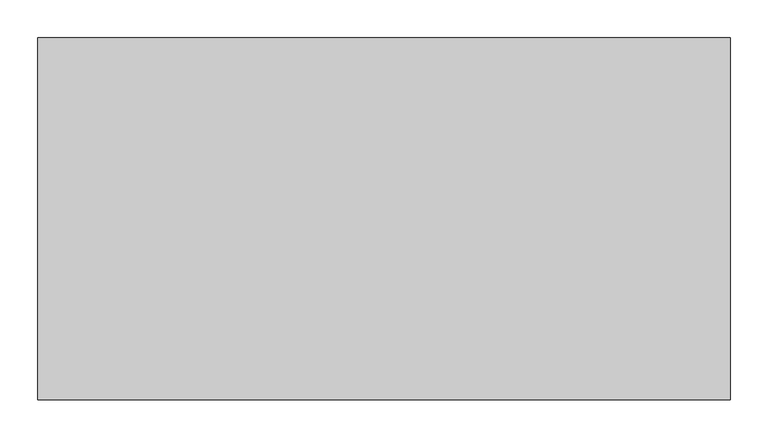
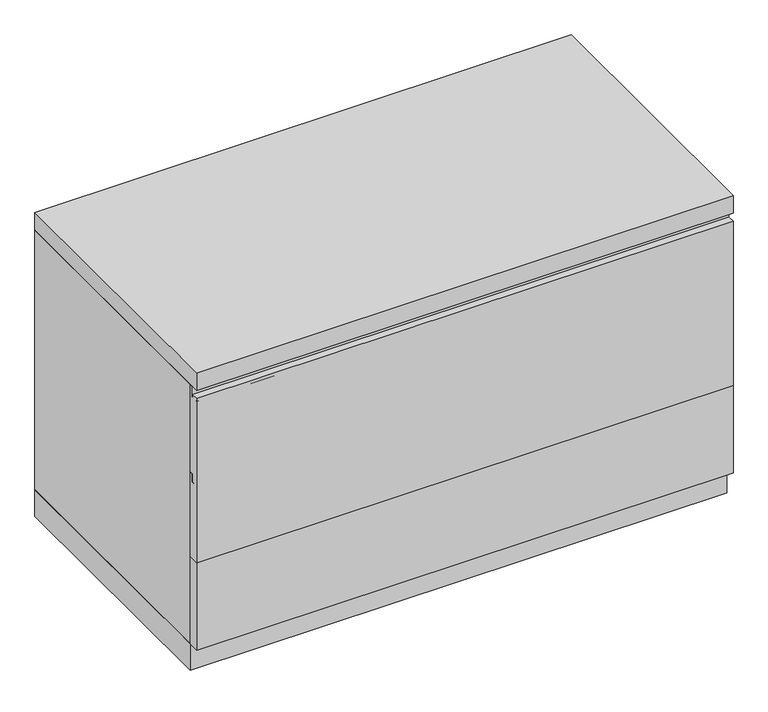
"""IFC4 building model written with IfcOpenShell, lengths in millimetres: furniture geometry."""

from ifc_helpers import new_model, si_unit, frame, origin, origin_with_axes, place, context, project, spatial, polyline, outline, extrude, source, transform, mapped, element, save


def furniture_0f0c1769(model_context):
    return source(origin(), model_context, "Body", "SweptSolid", [
        extrude(outline(polyline([(-457.2, 204.7875), (-476.25, 204.7875), (-476.25, 500.0625), (-463.55, 500.0625), (-463.55, 514.35), (-457.2, 514.35), (-457.2, 204.7875)])), frame((-455.6125, 0.0, 0.0), z_axis=(1.0, 0.0, 0.0), x_axis=(0.0, 1.0, 0.0)), (0.0, 0.0, 1.0), 911.225),
        extrude(outline(polyline([(-457.2, 357.1875), (-476.25, 357.1875), (-476.25, 495.3), (-463.55, 495.3), (-463.55, 509.5875), (-457.2, 509.5875), (-457.2, 357.1875)])), frame((-455.6125, 0.0, 0.0), z_axis=(1.0, 0.0, 0.0), x_axis=(0.0, 1.0, 0.0)), (0.0, 0.0, 1.0), 911.225),
        extrude(outline(polyline([(-457.2, 47.625), (-476.25, 47.625), (-476.25, 342.9), (-463.55, 342.9), (-463.55, 357.1875), (-457.2, 357.1875), (-457.2, 47.625)])), frame((-455.6125, 0.0, 0.0), z_axis=(1.0, 0.0, 0.0), x_axis=(0.0, 1.0, 0.0)), (0.0, 0.0, 1.0), 911.225),
        extrude(outline(polyline([(455.6125, 0.0), (455.6125, -457.2), (-455.6125, -457.2), (-455.6125, 0.0), (455.6125, 0.0)])), origin_with_axes(), (0.0, 0.0, 1.0), 47.625),
        extrude(outline(polyline([(455.6125, 0.0), (455.6125, -476.25), (-455.6125, -476.25), (-455.6125, 0.0), (455.6125, 0.0)])), frame((0.0, 0.0, 514.35), z_axis=(0.0, 0.0, 1.0), x_axis=(1.0, 0.0, 0.0)), (0.0, 0.0, 1.0), 31.75),
        extrude(outline(polyline([(455.6125, 0.0), (455.6125, -457.2), (436.5625, -457.2), (436.5625, -19.05), (-436.5625, -19.05), (-436.5625, -457.2), (-455.6125, -457.2), (-455.6125, 0.0), (455.6125, 0.0)])), frame((0.0, 0.0, 47.625), z_axis=(0.0, 0.0, 1.0), x_axis=(1.0, 0.0, 0.0)), (0.0, 0.0, 1.0), 466.725),
    ])


if __name__ == "__main__":
    model = new_model("IFC4")
    model_context = context("Model", 3, world=origin())
    ifc_project = project(units=[si_unit("LENGTHUNIT", "METRE", prefix="MILLI")], contexts=[model_context])
    site = spatial("IfcSite", under=ifc_project)
    building = spatial("IfcBuilding", under=site)
    placement = place(None, origin())
    furniture_shape = furniture_0f0c1769(model_context)
    element("IfcFurniture", 1, at=placement, inside=building, context=model_context, shape_type="MappedRepresentation", body=[
        mapped(furniture_shape, transform((0.0, 0.0, 0.0), x_axis=(1.0, 0.0, 0.0), y_axis=(0.0, 1.0, 0.0), z_axis=(0.0, 0.0, 1.0))),
    ])
    save(model, "model.ifc")
